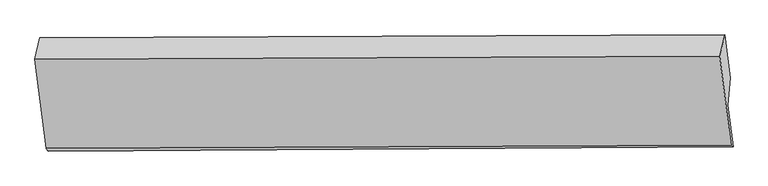
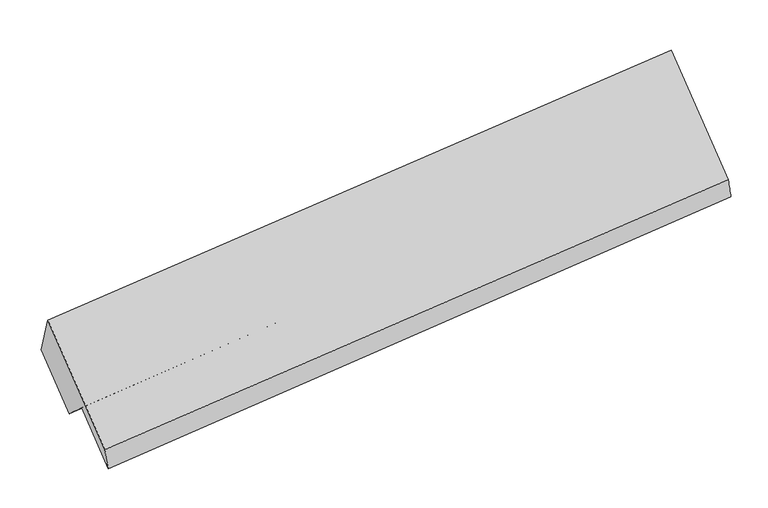
"""IFC4 building model written with IfcOpenShell, lengths in millimetres: proxy geometry."""

from ifc_helpers import new_model, si_unit, frame, origin, place, context, project, spatial, source, transform, mapped, element, save
from ifc_brep_helpers import plane_surface, spline_surface, advanced_brep


def generic_models_966e3499(model_context):
    return source(origin(), model_context, "Body", "AdvancedBrep", [
        advanced_brep(
        [(-6477.3726408, -1125.982412, 2318.6012843), (-6361.9925455, -2044.1993673, 1284.246394), (704.8081853, -2014.3499431, 2019.1986616), (589.42809, -1096.1329879, 3053.5535519), (-6338.8097431, -2071.6882935, 1067.3978847), (726.3283559, -2028.6073254, 1817.2552487), (-6392.8600857, -1641.5452873, 1551.9462472), (672.2780132, -1598.4643191, 2301.8036112), (-6368.042433, -1356.5771764, 1301.7428688), (697.0956659, -1313.4962082, 2051.6002328), (-6424.9463776, -903.7246571, 1811.8730893), (641.8543532, -873.875233, 2546.8253569)],
        [
            (0, 1),
            (1, 2),
            (2, 3),
            (3, 0),
            (1, 4),
            (4, 5),
            (5, 2),
            (4, 6),
            (6, 7),
            (7, 5),
            (6, 8),
            (8, 9),
            (9, 7),
            (8, 10),
            (10, 11),
            (11, 9),
            (10, 0),
            (3, 11),
        ],
        [
            plane_surface(frame((-6419.6825932, -1585.0908897, 1801.4238392), z_axis=(-0.06530407926001564, -0.7498525473309269, 0.6583741599526228), x_axis=(0.08313159529641304, -0.6615771996182063, -0.7452548200507029))),
            spline_surface(1, 1, [[(-6361.9925455, -2044.1993673, 1284.246394), (704.8081853, -2014.3499431, 2019.1986616)], [(-6338.8097431, -2071.6882935, 1067.3978847), (726.3283559, -2028.6073254, 1817.2552487)]], [2, 2], [2, 2], [0.0, 1.0], [0.0, 1.0]),
            plane_surface(frame((-6365.8349144, -1856.6167904, 1309.6720659), z_axis=(0.06530407926001618, 0.7498525473309352, -0.6583741599526135), x_axis=(-0.08313159529641242, 0.661577199618197, 0.7452548200507112))),
            plane_surface(frame((-6380.4512593, -1499.0612318, 1426.844558), z_axis=(0.08313159529641538, -0.661577199618205, -0.7452548200507039), x_axis=(0.06530407926001658, 0.749852547330928, -0.6583741599526215))),
            plane_surface(frame((-6396.4944053, -1130.1509168, 1556.8079791), z_axis=(0.06530407926001858, 0.7498525473309191, -0.6583741599526314), x_axis=(-0.0831315952964134, 0.6615771996182152, 0.745254820050695))),
            plane_surface(frame((-6451.1595092, -1014.8535346, 2065.2371868), z_axis=(-0.045194968207869494, 0.9165583705804305, 0.3973388581143761), x_axis=(-0.09432472513932771, -0.39988357690416526, 0.9116994960784617))),
            plane_surface(frame((671.9654439, -1487.4876694, 2298.3727772), z_axis=(0.9943965582681162, 0.006063514381298332, 0.10554012837718638), x_axis=(-0.0831315952964134, 0.6615771996182152, 0.745254820050695))),
            plane_surface(frame((-6394.003971, -1523.9528656, 1555.9679614), z_axis=(-0.9943965582681163, -0.006063514381301552, -0.10554012837718525), x_axis=(0.09432472513932601, 0.3998835769041539, -0.9116994960784668))),
        ],
        [
            (0, [[1, 2, 3, 4]]),
            (1, [[5, 6, 7, -2]]),
            (2, [[8, 9, 10, -6]]),
            (3, [[11, 12, 13, -9]]),
            (4, [[14, 15, 16, -12]]),
            (5, [[17, -4, 18, -15]]),
            (6, [[-16, -18, -3, -7, -10, -13]]),
            (7, [[-17, -14, -11, -8, -5, -1]]),
        ],
    ),
    ])


if __name__ == "__main__":
    model = new_model("IFC4")
    model_context = context("Model", 3, world=origin())
    ifc_project = project(units=[si_unit("LENGTHUNIT", "METRE", prefix="MILLI")], contexts=[model_context])
    site = spatial("IfcSite", under=ifc_project)
    building = spatial("IfcBuilding", under=site)
    placement = place(None, origin())
    generic_models_shape = generic_models_966e3499(model_context)
    element("IfcBuildingElementProxy", 1, Name="Generic Models", at=placement, inside=building, context=model_context, shape_type="MappedRepresentation", body=[
        mapped(generic_models_shape, transform((0.0, 0.0, 0.0), x_axis=(1.0, 0.0, 0.0), y_axis=(0.0, 1.0, 0.0), z_axis=(0.0, 0.0, 1.0))),
    ])
    save(model, "model.ifc")
